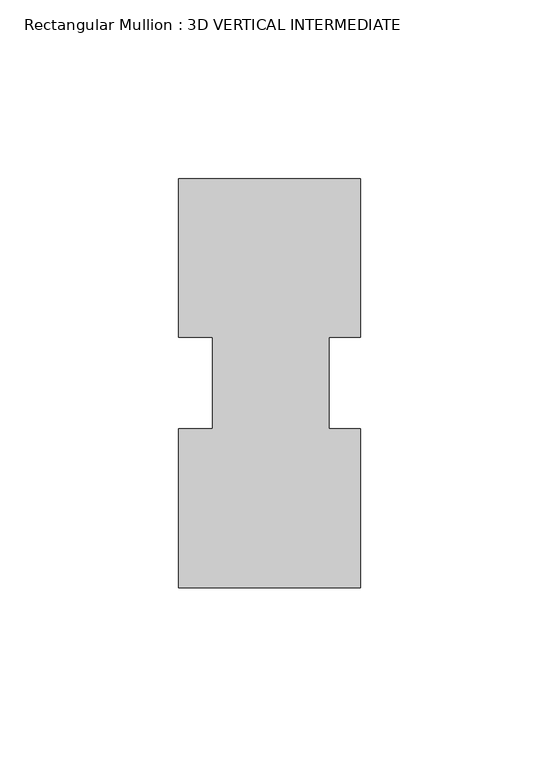
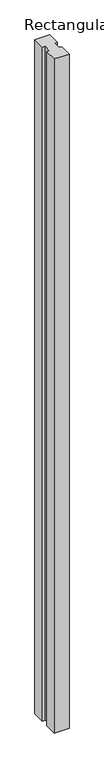
"""IFC4 building model written with IfcOpenShell, lengths in millimetres: member geometry, Rectangular Mullion : 3D VERTICAL INTERMEDIATE."""

from ifc_helpers import new_model, si_unit, frame, origin, place, context, project, spatial, polyline, outline, extrude, source, transform, mapped, element, save


def rectangular_mullion_3d_vertical_intermediate_59586487(model_context):
    return source(origin(), model_context, "Body", "SweptSolid", [
        extrude(outline(polyline([(25.4, 57.1500444), (25.4, 12.7938544), (16.66875, 12.7938544), (16.66875, -12.693844), (25.4, -12.693844), (25.4, -57.1499556), (-25.4, -57.149854), (-25.4, -12.693844), (-15.875, -12.693844), (-15.875, 12.7938544), (-25.4, 12.7938544), (-25.4, 57.150146), (25.4, 57.1500444)])), frame((0.0, 0.0, -2438.4), z_axis=(0.0, 0.0, 1.0), x_axis=(1.0, 0.0, 0.0)), (0.0, 0.0, 1.0), 2438.4),
    ])


if __name__ == "__main__":
    model = new_model("IFC4")
    model_context = context("Model", 3, world=origin())
    ifc_project = project(units=[si_unit("LENGTHUNIT", "METRE", prefix="MILLI")], contexts=[model_context])
    site = spatial("IfcSite", under=ifc_project)
    building = spatial("IfcBuilding", under=site)
    placement = place(None, origin())
    rectangular_mullion_3d_vertical_intermediate_shape = rectangular_mullion_3d_vertical_intermediate_59586487(model_context)
    element("IfcMember", 1, ObjectType="Rectangular Mullion : 3D VERTICAL INTERMEDIATE", at=placement, inside=building, context=model_context, shape_type="MappedRepresentation", body=[
        mapped(rectangular_mullion_3d_vertical_intermediate_shape, transform((0.0, 0.0, 0.0), x_axis=(1.0, 0.0, 0.0), y_axis=(0.0, 1.0, 0.0), z_axis=(0.0, 0.0, 1.0))),
    ])
    save(model, "model.ifc")
